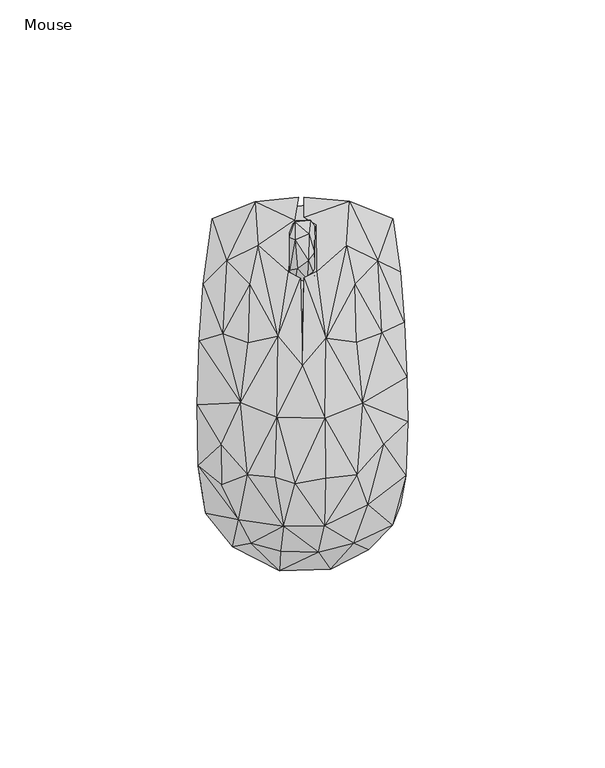
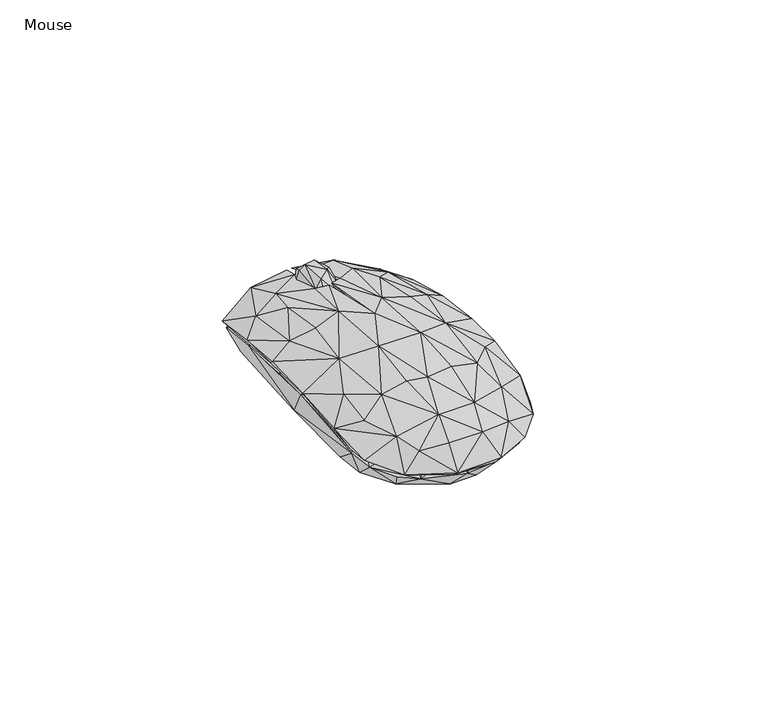
"""IFC4 building model written with IfcOpenShell, lengths in millimetres: furniture geometry, Mouse."""

from ifc_helpers import new_model, si_unit, origin, place, context, project, spatial, triangles, source, transform, mapped, element, save


def mouse_b3e4820e(model_context):
    return source(origin(), model_context, "Body", "Tessellation", [
        triangles([(-1.7870649, 25.5556985, 15.0905907), (1.4279053, 26.2556989, 17.1901639), (-1.2795803, 29.2699885, 20.2893071), (-3.1870653, 28.7699872, 18.0897343), (2.0353879, 41.5199947, 14.9905912), (-1.7870676, 41.1199964, 16.5901631), (1.7353884, 38.1057091, 19.6893074), (3.1353904, 27.4628427, 17.4901638), (1.5279046, 31.2771266, 21.0893059), (3.1353893, 33.2842761, 20.0893079), (-3.1870667, 37.2057073, 18.8897343), (-1.8870666, 36.5985587, 20.4893062), (1.5279048, 29.1699855, 6.1931613), (3.2353894, 31.9842782, 6.2931615), (3.0353903, 27.1628428, 9.1923049), (-1.6870649, 26.455698, 8.992304), (-1.6870657, 31.4771303, 5.2931618), (-0.0795812, 35.0985594, 5.0931615), (-3.087066, 33.6914164, 6.1931613), (2.2353884, 37.705704, 6.3931616), (3.2353883, 39.919997, 12.4914477), (-3.187065, 26.8556986, 10.3918768), (-3.0870671, 40.0199955, 11.4914475), (-1.6870671, 39.21285, 7.4927334), (1.9353879, 41.1199964, 10.091877), (-1.5870674, 41.4199963, 11.7914485), (2.0353906, 25.4556978, 12.9914479)], [[1, 2, 3], [1, 3, 4], [5, 6, 7], [2, 8, 9], [2, 9, 3], [8, 10, 9], [6, 11, 12], [6, 12, 7], [4, 12, 11], [4, 3, 12], [3, 9, 12], [9, 7, 12], [9, 10, 7], [13, 14, 15], [13, 16, 17], [13, 17, 18], [13, 18, 14], [13, 15, 16], [17, 19, 18], [17, 16, 19], [14, 18, 20], [14, 20, 21], [14, 21, 10], [14, 10, 15], [19, 16, 22], [19, 23, 24], [19, 24, 18], [19, 22, 4], [19, 4, 23], [18, 24, 20], [20, 25, 21], [20, 24, 25], [24, 23, 26], [24, 26, 25], [16, 15, 27], [16, 27, 1], [16, 1, 22], [15, 8, 27], [15, 10, 8], [22, 1, 4], [25, 26, 5], [25, 5, 21], [27, 8, 2], [27, 2, 1], [23, 4, 11], [23, 11, 6], [23, 6, 26], [26, 6, 5], [21, 5, 7], [21, 7, 10]]),
        triangles([(-11.1957896, 35.1929554, 15.7576683), (-6.1527722, 12.0434861, 22.6493329), (-3.6527754, 28.4764686, 18.7493336), (-2.0097646, 41.5259446, 14.4576693), (11.1762641, 35.1929622, 15.7576683), (3.6332491, 40.4094521, 14.55767), (3.7332512, 28.5764716, 19.3493345), (6.0332544, 11.6269974, 22.7493336), (-4.7527645, -36.0049335, 19.4493352), (5.6332624, -35.9049328, 19.3493345), (-1.809753, -25.2719494, 23.3493333), (-6.9527665, -23.671954, 22.949335), (-13.8957804, -22.9554597, 20.8493338), (5.8332604, -23.8719486, 23.0493335), (13.8762731, -22.9554575, 20.8493338), (-6.352769, -8.4224783, 24.3493336), (5.7332574, -8.6224757, 24.4493343), (3.5332606, -25.7719507, 21.6493349), (-5.7527665, -23.455461, 21.849334), (4.633259, -15.1389674, 23.0493335), (13.7762723, -22.6554576, 19.6493343), (-15.6387983, -4.7059889, 21.5493319), (-13.7957797, -22.6554599, 19.6493343), (-6.0527692, -8.3224781, 23.1493342), (-13.8957827, -5.705988, 21.0493329), (13.8762708, -5.6059833, 21.0493329), (15.2192825, -4.9059829, 21.7493333), (-0.1097583, 6.1269965, 22.7493336), (6.0332561, -1.3059846, 23.0493335), (0.090242, 4.6105053, 24.1493345), (-6.1527722, 11.5269956, 21.4493335), (-13.7957854, 10.4269935, 21.0493329), (-15.0387998, 9.6269935, 19.3493345), (5.9332532, 16.0434895, 20.7493353), (15.5192789, 11.1269996, 18.9493339), (13.7762667, 10.5269987, 21.0493329), (0.3902382, 26.8764709, 19.9493342), (-0.4097618, 26.7764702, 19.6493343), (-6.1527625, -46.2214247, 7.5660052), (-17.7387894, -41.304937, 8.5660049), (-10.695777, -40.104933, 13.066005), (0.19025, -42.7214249, 13.3576705), (5.4332638, -46.4214216, 7.4660045), (-5.7527625, -47.3214257, 8.5660049), (7.1332639, -46.9214229, 8.5660049), (4.1332637, -42.6214219, 14.9576694), (-5.5527634, -42.421425, 14.8576698), (-12.9957774, -40.3049345, 13.6576693), (12.8762762, -39.5049288, 12.5660049), (16.8192893, -42.0214176, 8.4660053), (5.7332631, -41.104931, 14.257669), (13.0762765, -40.3049299, 13.6576693), (15.9192863, -33.78844, 14.6576695), (24.8623019, -30.6884384, 9.4660045), (22.8623014, -35.8049321, 9.7660055), (-16.1387917, -34.3884442, 15.6576687), (-24.4818042, -32.7884442, 10.2660056), (-25.381806, -27.2719545, 10.5660043), (-15.8387929, -33.7884468, 14.55767), (-5.5527645, -35.3884399, 18.1576682), (4.7332623, -35.3884399, 18.2576701), (16.6192856, -30.5884377, 17.1576702), (26.2623005, -23.2554573, 12.8660047), (-26.3818063, -20.7554623, 13.4576701), (20.1192843, -25.6719477, 15.5576691), (-26.6818107, -5.3059909, 14.9576694), (-20.4387938, -23.3554626, 15.8576701), (26.5622958, 1.7105097, 15.0576701), (26.7622972, -9.622472, 15.0576701), (20.4192819, -14.4389647, 17.5576697), (20.7192817, -15.2389647, 18.6576695), (-25.1818159, 25.2764663, 12.266005), (-26.181814, 11.026992, 14.6576695), (-20.2387992, 12.7434843, 17.8576684), (-19.2388034, 31.1929566, 14.0576698), (-22.8818201, 41.8259399, 7.3660049), (-25.7818111, 12.7434831, 13.1576691), (24.8622906, 28.4764731, 11.466005), (25.9622961, 15.6434901, 13.9576703), (22.9622885, 41.8259444, 7.3660049), (19.2192756, 31.1929634, 14.0576698), (20.619281, -1.5059824, 17.8576684), (19.0192754, 30.1929654, 13.0576695), (-11.9957919, 46.2259393, 11.166004), (-15.7388036, 44.2259388, 9.2660047), (-19.538801, 22.3599747, 14.9576694), (-1.0097655, 47.3259449, 11.9660052), (-11.2957904, 34.7929549, 14.55767), (-13.1957879, 24.876468, 16.95767), (0.4902345, 47.3259449, 12.0660047), (0.4902353, 42.3259457, 14.1576694), (11.9762619, 46.3259468, 11.166004), (11.5762624, 45.5259457, 10.2660056), (11.3762633, 34.7929639, 14.55767), (-20.4387938, -25.5719538, 16.7576685), (-20.6387952, -15.4389718, 18.6576695), (-20.7818097, -6.8224805, 17.8576684), (20.2192805, 13.0434909, 17.8576684), (-13.3957893, 25.2764663, 18.1576682), (13.376265, 25.2764709, 18.1576682), (0.8902381, 26.476468, 18.7576691), (13.2762654, 24.8764726, 16.95767), (-3.7388539, -39.9733413, 0.003408), (3.9916322, -39.7733399, 0.003408), (-2.1388526, -45.7733416, 6.3030804), (-13.6998258, -42.3733493, 6.6030796), (-15.5998268, -33.0558856, 0.003408), (15.6526022, -33.0558788, 0.003408), (7.0221198, -44.973345, 6.4030799), (-20.9303154, -24.0209652, 0.003408), (20.8830867, -24.1209591, 0.003408), (-23.2303135, -33.0558856, 7.8030802), (-18.7998245, -38.9558843, 6.9030801), (15.6526045, -41.2733346, 6.7030804), (23.5830899, -32.5384186, 7.9030804), (-21.9303156, -15.9035067, 0.203408), (-21.6303203, 7.6663352, 0.003408), (-25.1303134, -27.4384256, 9.3030801), (21.9830877, -20.2209587, 0.603408), (21.4830819, 9.3663427, 0.003408), (25.4830875, -24.6209604, 10.1030806), (-26.1303182, -3.368587, 13.102751), (-24.3303213, 26.218719, 9.8030796), (-20.3303247, 36.9361743, 0.003408), (7.2221047, 38.3361774, 0.003408), (20.3830786, 36.9361834, 0.003408), (22.2830762, 40.8536428, 5.6034081), (24.2830767, 27.218726, 9.6030794), (25.4830807, 12.366343, 12.1027519), (-22.2303269, 40.9536367, 5.6034081), (-5.5388669, 38.4361759, 0.003408), (-10.5693551, 44.8536394, 9.2030799), (7.0221039, 45.4536391, 9.8030796), (17.1525902, 43.1536432, 7.6030799), (-18.6998374, 30.1187194, 11.9027516), (18.7525913, 30.1187262, 11.9027516), (-3.2388532, -41.9733419, 11.7027513), (-5.8388543, -37.3558844, 15.4027515), (-13.0693399, -35.3558883, 13.9027522), (5.2916323, -41.5733436, 11.802752), (19.1526032, -33.6558785, 10.9030795), (13.0526042, -35.3558815, 13.9027522), (-20.3303157, -22.8209658, 14.6027515), (19.9830871, -22.220957, 15.002752), (-26.0303175, -14.8035068, 12.3027522), (26.083085, -11.9860371, 12.602752), (-25.7303222, 8.2663338, 12.602752), (-19.7303205, 12.6663349, 15.6027517), (-8.8693527, 36.2361784, 13.2027506), (0.8916196, 34.5361755, 14.9027513), (12.8221075, 29.7187233, 14.3027516), (6.2916201, 33.1361769, 14.9027513), (1.6916316, -35.7558844, 17.0024244), (6.7221171, -33.7558838, 17.2024236), (-6.2388554, -29.2384224, 19.002425), (-13.4998278, -26.2209649, 17.6024253), (13.5526021, -26.2209604, 17.6024253), (-20.2303172, -9.8860449, 16.80275), (-13.6998303, -14.3035044, 19.6024259), (20.5830868, -5.768579, 16.7027527), (13.7526001, -14.3034988, 19.6024259), (-16.1998333, -0.8685854, 18.6024256), (19.8830819, 9.5663424, 16.0027523), (13.7525978, -2.1685804, 19.802425), (-13.0693512, 24.6012577, 15.802752), (-13.4998346, 10.1663364, 18.6024256), (13.5525964, 10.166341, 18.6024256), (-6.1388649, 24.3012579, 17.5024257), (6.7221091, 16.3837985, 19.3024237), (1.6916229, 15.1837968, 20.0024242), (1.6916296, -24.6209626, 20.802423), (6.9221151, -22.9209597, 20.5024232), (-6.2388577, -17.603504, 21.402425), (6.4916272, -12.0860401, 21.8024256), (1.1916271, -8.8860412, 22.4024253), (-6.0388597, -5.4685837, 22.0024247), (6.9221117, -0.6685814, 21.5024234), (1.6916248, 4.2488802, 21.7024226), (-6.1388621, 7.666338, 20.802423)], [[1, 2, 3], [1, 3, 4], [5, 6, 7], [5, 7, 8], [9, 10, 11], [9, 12, 13], [9, 11, 12], [10, 14, 11], [10, 15, 14], [12, 11, 16], [12, 16, 13], [11, 14, 17], [11, 17, 16], [18, 19, 20], [18, 20, 21], [14, 15, 17], [13, 16, 22], [23, 24, 19], [23, 25, 24], [19, 24, 20], [21, 20, 26], [15, 27, 17], [20, 24, 28], [20, 29, 26], [20, 28, 29], [16, 17, 30], [16, 30, 2], [16, 2, 22], [24, 25, 31], [24, 31, 28], [17, 27, 8], [17, 8, 30], [22, 2, 32], [25, 33, 31], [29, 28, 34], [29, 35, 26], [29, 34, 35], [27, 36, 8], [30, 8, 37], [30, 38, 2], [30, 28, 38], [30, 37, 28], [31, 3, 38], [31, 38, 28], [8, 7, 37], [2, 38, 3], [39, 40, 41], [39, 41, 42], [39, 42, 43], [39, 44, 40], [39, 43, 44], [44, 45, 46], [44, 47, 48], [44, 46, 47], [44, 48, 40], [44, 43, 45], [43, 49, 50], [43, 42, 51], [43, 51, 49], [43, 50, 45], [45, 50, 52], [45, 52, 46], [50, 49, 53], [50, 53, 54], [50, 54, 55], [50, 55, 52], [40, 48, 56], [40, 56, 57], [40, 58, 59], [40, 59, 41], [40, 57, 58], [41, 59, 60], [41, 60, 42], [49, 51, 61], [49, 61, 53], [55, 62, 52], [55, 63, 62], [55, 54, 63], [57, 56, 64], [57, 64, 58], [54, 53, 65], [54, 65, 63], [58, 64, 66], [58, 67, 59], [58, 66, 67], [63, 68, 69], [63, 65, 70], [63, 70, 68], [63, 71, 62], [63, 69, 71], [72, 73, 74], [72, 74, 75], [72, 75, 76], [72, 76, 77], [72, 77, 73], [78, 79, 68], [78, 80, 81], [78, 81, 79], [78, 82, 35], [78, 68, 82], [78, 83, 80], [78, 35, 83], [76, 84, 85], [76, 75, 84], [76, 85, 86], [76, 86, 77], [85, 84, 87], [85, 87, 88], [85, 89, 86], [85, 88, 89], [84, 75, 1], [84, 1, 4], [84, 4, 87], [87, 4, 88], [90, 91, 92], [90, 93, 91], [90, 92, 93], [93, 80, 83], [93, 94, 6], [93, 83, 94], [93, 6, 91], [93, 92, 80], [92, 5, 81], [92, 81, 80], [92, 6, 5], [92, 91, 6], [47, 9, 48], [47, 46, 9], [42, 60, 61], [42, 61, 51], [46, 52, 10], [46, 10, 9], [48, 9, 56], [52, 62, 10], [56, 9, 13], [56, 13, 95], [56, 95, 64], [59, 67, 23], [59, 23, 60], [60, 18, 61], [60, 23, 19], [60, 19, 18], [61, 18, 21], [61, 21, 53], [53, 21, 65], [62, 71, 15], [62, 15, 10], [95, 96, 64], [95, 13, 96], [65, 21, 70], [64, 96, 66], [67, 97, 23], [67, 66, 97], [96, 13, 22], [96, 22, 66], [70, 82, 68], [70, 21, 26], [70, 26, 82], [71, 69, 27], [71, 27, 15], [97, 66, 77], [97, 77, 33], [97, 25, 23], [97, 33, 25], [69, 68, 27], [66, 73, 77], [66, 22, 73], [82, 26, 35], [68, 98, 27], [68, 79, 98], [73, 22, 74], [77, 86, 33], [74, 99, 75], [74, 22, 32], [74, 32, 99], [98, 79, 81], [98, 100, 36], [98, 81, 100], [98, 36, 27], [86, 89, 33], [99, 1, 75], [99, 32, 2], [99, 2, 1], [89, 88, 31], [89, 31, 33], [101, 37, 7], [101, 94, 34], [101, 6, 94], [101, 34, 28], [101, 28, 37], [101, 7, 6], [102, 94, 83], [102, 83, 35], [102, 35, 34], [102, 34, 94], [100, 5, 8], [100, 81, 5], [100, 8, 36], [88, 4, 3], [88, 3, 31], [103, 104, 105], [103, 105, 106], [103, 107, 104], [103, 106, 107], [104, 107, 108], [104, 109, 105], [104, 108, 109], [107, 110, 111], [107, 111, 108], [107, 112, 110], [107, 113, 112], [107, 106, 113], [108, 114, 109], [108, 111, 115], [108, 115, 114], [110, 116, 117], [110, 117, 111], [110, 112, 118], [110, 118, 116], [111, 119, 115], [111, 117, 120], [111, 120, 119], [119, 120, 121], [119, 121, 115], [116, 118, 117], [117, 118, 122], [117, 123, 124], [117, 122, 123], [117, 124, 120], [120, 124, 125], [120, 125, 126], [120, 126, 127], [120, 127, 128], [120, 128, 129], [120, 129, 121], [124, 130, 131], [124, 131, 125], [124, 123, 130], [131, 130, 132], [131, 132, 125], [125, 132, 133], [125, 133, 134], [125, 134, 126], [126, 134, 127], [130, 123, 135], [130, 135, 132], [127, 134, 136], [127, 136, 128], [106, 137, 138], [106, 112, 113], [106, 105, 137], [106, 139, 112], [106, 138, 139], [105, 109, 140], [105, 140, 137], [109, 114, 140], [114, 141, 142], [114, 115, 141], [114, 142, 140], [112, 139, 143], [112, 143, 118], [141, 115, 121], [141, 121, 144], [141, 144, 142], [118, 145, 122], [118, 143, 145], [121, 129, 146], [121, 146, 144], [123, 147, 148], [123, 148, 135], [123, 122, 147], [128, 136, 129], [132, 135, 149], [132, 149, 150], [132, 150, 133], [133, 151, 134], [133, 150, 152], [133, 152, 151], [134, 151, 136], [137, 140, 153], [137, 153, 138], [140, 142, 154], [140, 154, 153], [139, 138, 155], [139, 155, 156], [139, 156, 143], [138, 153, 155], [142, 144, 157], [142, 157, 154], [143, 158, 145], [143, 156, 159], [143, 159, 158], [144, 146, 160], [144, 160, 161], [144, 161, 157], [145, 158, 122], [158, 159, 162], [158, 162, 122], [146, 129, 160], [122, 162, 147], [160, 163, 164], [160, 129, 163], [160, 164, 161], [147, 162, 148], [148, 165, 135], [148, 162, 166], [148, 166, 165], [163, 129, 136], [163, 151, 167], [163, 136, 151], [163, 167, 164], [165, 149, 135], [165, 166, 168], [165, 168, 149], [151, 152, 169], [151, 169, 167], [149, 168, 150], [150, 170, 152], [150, 168, 170], [152, 170, 169], [153, 154, 171], [153, 171, 155], [154, 172, 171], [154, 157, 172], [155, 171, 173], [155, 173, 156], [156, 173, 159], [171, 172, 174], [171, 175, 173], [171, 174, 175], [172, 157, 161], [172, 161, 174], [159, 173, 176], [159, 176, 162], [173, 175, 176], [161, 177, 174], [161, 164, 177], [175, 174, 177], [175, 177, 178], [175, 178, 176], [162, 176, 179], [162, 179, 166], [176, 178, 179], [177, 164, 167], [177, 167, 169], [177, 170, 178], [177, 169, 170], [178, 170, 179], [166, 179, 168], [179, 170, 168]]),
    ])


if __name__ == "__main__":
    model = new_model("IFC4")
    model_context = context("Model", 3, world=origin())
    ifc_project = project(units=[si_unit("LENGTHUNIT", "METRE", prefix="MILLI")], contexts=[model_context])
    site = spatial("IfcSite", under=ifc_project)
    building = spatial("IfcBuilding", under=site)
    placement = place(None, origin())
    mouse_shape = mouse_b3e4820e(model_context)
    element("IfcFurniture", 1, ObjectType="Mouse", at=placement, inside=building, context=model_context, shape_type="MappedRepresentation", body=[
        mapped(mouse_shape, transform((0.0, 0.0, 0.0), x_axis=(1.0, 0.0, 0.0), y_axis=(0.0, 1.0, 0.0), z_axis=(0.0, 0.0, 1.0))),
    ])
    save(model, "model.ifc")
